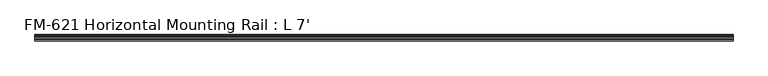
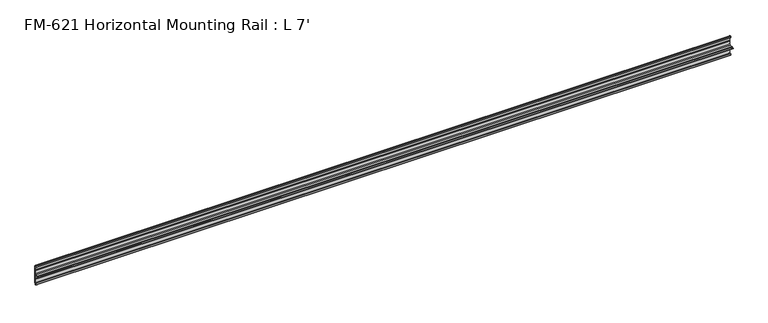
"""IFC4 building model written with IfcOpenShell, lengths in millimetres: proxy geometry, FM-621 Horizontal Mounting Rail : L 7'."""

from ifc_helpers import new_model, si_unit, point, frame, frame_2d, origin, place, context, project, spatial, polyline, circle_curve, trimmed, segment, composite_curve, outline, extrude, source, transform, mapped, element, save


def fm_621_horizontal_mounting_rail_l_7_148ade6c(model_context):
    return source(origin(), model_context, "Body", "SweptSolid", [
        extrude(outline(composite_curve([segment(polyline([(13.6400687, 32.1158903), (15.4750158, 32.6885982)]), True, "CONTINUOUS"), segment(trimmed(circle_curve(frame_2d((15.6853088, 32.2686835)), 0.4696291), [point((15.4750158, 32.6885982))], [point((16.1549378, 32.2686835))], False, "CARTESIAN"), True, "CONTINUOUS"), segment(polyline([(16.1549378, 32.2686835), (16.1549378, 30.7270734)]), True, "CONTINUOUS"), segment(trimmed(circle_curve(frame_2d((17.7424378, 30.7270734)), 1.5875), [point((16.1549378, 30.7270734))], [point((17.7424378, 29.1395734))], True, "CARTESIAN"), True, "CONTINUOUS"), segment(polyline([(17.7424378, 29.1395734), (19.05, 29.1395734), (19.05, 0.0), (19.05, -27.5520734), (17.7424378, -27.5520734)]), True, "CONTINUOUS"), segment(trimmed(circle_curve(frame_2d((17.7424378, -29.1395734)), 1.5875), [point((17.7424378, -27.5520734))], [point((16.1549378, -29.1395734))], True, "CARTESIAN"), True, "CONTINUOUS"), segment(polyline([(16.1549378, -29.1395734), (16.1549378, -30.6811835)]), True, "CONTINUOUS"), segment(trimmed(circle_curve(frame_2d((15.6853088, -30.6811835)), 0.4696291), [point((16.1549378, -30.6811835))], [point((15.4750158, -31.1010982))], False, "CARTESIAN"), True, "CONTINUOUS"), segment(polyline([(15.4750158, -31.1010982), (13.6400687, -30.5283903)]), True, "CONTINUOUS"), segment(trimmed(circle_curve(frame_2d((14.5481808, -27.6188136)), 3.048), [point((13.6400687, -30.5283903))], [point((11.9462301, -29.2063136))], False, "CARTESIAN"), True, "CONTINUOUS"), segment(trimmed(circle_curve(frame_2d((14.5481808, -27.6188136)), 3.048), [point((11.9462301, -29.2063136))], [point((13.6400687, -24.7092369))], False, "CARTESIAN"), True, "CONTINUOUS"), segment(polyline([(13.6400687, -24.7092369), (15.4364113, -24.1485779)]), True, "CONTINUOUS"), segment(trimmed(circle_curve(frame_2d((15.6245238, -24.6872792)), 0.5706009), [point((15.4364113, -24.1485779))], [point((16.1779173, -24.8263515))], False, "CARTESIAN"), True, "CONTINUOUS"), segment(trimmed(circle_curve(frame_2d((16.9169378, -25.0120734)), 0.762), [point((16.1779173, -24.8263515))], [point((16.9376166, -25.7737928))], True, "CARTESIAN"), True, "CONTINUOUS"), segment(trimmed(circle_curve(frame_2d((16.9545, -25.2660734)), 0.508), [point((16.9376166, -25.7737928))], [point((17.4625, -25.2660734))], True, "CARTESIAN"), True, "CONTINUOUS"), segment(polyline([(17.4625, -25.2660734), (17.4625, -14.0784614), (17.9716639, -13.1610418), (17.9716639, -11.820881), (17.4625, -10.9034614), (17.4625, -1.9277595)]), True, "CONTINUOUS"), segment(trimmed(circle_curve(frame_2d((15.5575, -1.9277595)), 1.905), [point((17.4625, -1.9277595))], [point((15.5575, -0.0227595))], True, "CARTESIAN"), True, "CONTINUOUS"), segment(polyline([(15.5575, -0.0227595), (6.3855322, -0.0227595)]), True, "CONTINUOUS"), segment(trimmed(circle_curve(frame_2d((4.7981953, 0.0)), 1.5875), [point((6.3855322, -0.0227595))], [point((3.2106953, 0.0))], False, "CARTESIAN"), True, "CONTINUOUS"), segment(polyline([(3.2106953, 0.0), (0.0, 0.0), (0.0, 1.5875), (3.2106953, 1.5875)]), True, "CONTINUOUS"), segment(trimmed(circle_curve(frame_2d((4.7981953, 1.5875)), 1.5875), [point((3.2106953, 1.5875))], [point((6.3855322, 1.6102595))], False, "CARTESIAN"), True, "CONTINUOUS"), segment(polyline([(6.3855322, 1.6102595), (15.5575, 1.6102595)]), True, "CONTINUOUS"), segment(trimmed(circle_curve(frame_2d((15.5575, 3.5152595)), 1.905), [point((15.5575, 1.6102595))], [point((17.4625, 3.5152595))], True, "CARTESIAN"), True, "CONTINUOUS"), segment(polyline([(17.4625, 3.5152595), (17.4625, 12.4909614), (17.9716639, 13.408381), (17.9716639, 14.7485418), (17.4625, 15.6659614), (17.4625, 26.8535734)]), True, "CONTINUOUS"), segment(trimmed(circle_curve(frame_2d((16.9545, 26.8535734)), 0.508), [point((17.4625, 26.8535734))], [point((16.9376166, 27.3612928))], True, "CARTESIAN"), True, "CONTINUOUS"), segment(trimmed(circle_curve(frame_2d((16.9169378, 26.5995734)), 0.762), [point((16.9376166, 27.3612928))], [point((16.1779173, 26.4138515))], True, "CARTESIAN"), True, "CONTINUOUS"), segment(trimmed(circle_curve(frame_2d((15.6245238, 26.2747792)), 0.5706009), [point((16.1779173, 26.4138515))], [point((15.4364113, 25.7360779))], False, "CARTESIAN"), True, "CONTINUOUS"), segment(polyline([(15.4364113, 25.7360779), (13.6400687, 26.2967369)]), True, "CONTINUOUS"), segment(trimmed(circle_curve(frame_2d((14.5481808, 29.2063136)), 3.048), [point((13.6400687, 26.2967369))], [point((11.9462301, 30.7938136))], False, "CARTESIAN"), True, "CONTINUOUS"), segment(trimmed(circle_curve(frame_2d((14.5481808, 29.2063136)), 3.048), [point((11.9462301, 30.7938136))], [point((13.6400687, 32.1158903))], False, "CARTESIAN"), True, "CONTINUOUS")], self_intersect=False)), frame((0.0, 0.0, 0.0), z_axis=(1.0, 0.0, 0.0), x_axis=(0.0, 1.0, 0.0)), (0.0, 0.0, 1.0), 2133.6),
    ])


if __name__ == "__main__":
    model = new_model("IFC4")
    model_context = context("Model", 3, world=origin())
    ifc_project = project(units=[si_unit("LENGTHUNIT", "METRE", prefix="MILLI")], contexts=[model_context])
    site = spatial("IfcSite", under=ifc_project)
    building = spatial("IfcBuilding", under=site)
    placement = place(None, origin())
    fm_621_horizontal_mounting_rail_l_7_shape = fm_621_horizontal_mounting_rail_l_7_148ade6c(model_context)
    element("IfcBuildingElementProxy", 1, Name="FM-621 Horizontal Mounting Rail : L 7'", ObjectType="FM-621 Horizontal Mounting Rail : L 7'", at=placement, inside=building, context=model_context, shape_type="MappedRepresentation", body=[
        mapped(fm_621_horizontal_mounting_rail_l_7_shape, transform((0.0, 0.0, 0.0), x_axis=(1.0, 0.0, 0.0), y_axis=(0.0, 1.0, 0.0), z_axis=(0.0, 0.0, 1.0))),
    ])
    save(model, "model.ifc")
